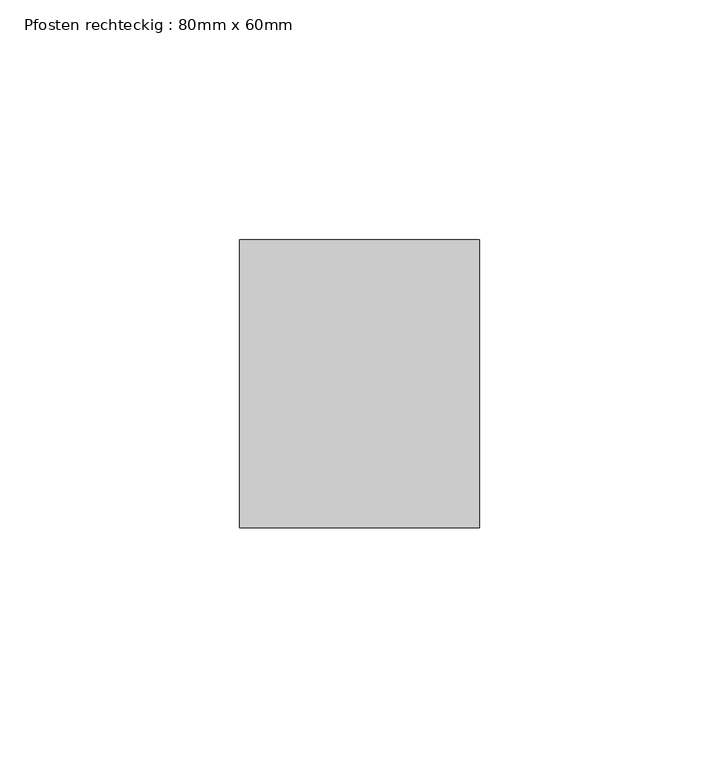
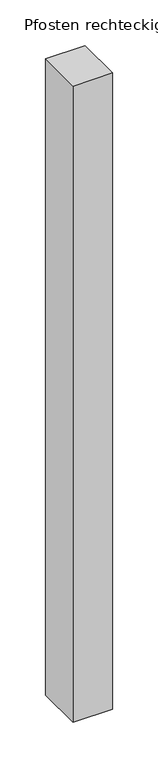
"""IFC4 building model written with IfcOpenShell, lengths in millimetres: member geometry, Pfosten rechteckig : 80mm x 60mm."""

from ifc_helpers import new_model, si_unit, frame, origin, place, context, project, spatial, polyline, outline, extrude, source, transform, mapped, element, save


def pfosten_rechteckig_80mm_x_60mm_248cabca(model_context):
    return source(origin(), model_context, "Body", "SweptSolid", [
        extrude(outline(polyline([(0.0, 30.0), (0.0, -30.0), (-50.0, -30.0), (-50.0, 30.0), (0.0, 30.0)])), frame((0.0, 0.0, -850.0), z_axis=(0.0, 0.0, 1.0), x_axis=(1.0, 0.0, 0.0)), (0.0, 0.0, 1.0), 850.0),
    ])


if __name__ == "__main__":
    model = new_model("IFC4")
    model_context = context("Model", 3, world=origin())
    ifc_project = project(units=[si_unit("LENGTHUNIT", "METRE", prefix="MILLI")], contexts=[model_context])
    site = spatial("IfcSite", under=ifc_project)
    building = spatial("IfcBuilding", under=site)
    placement = place(None, origin())
    pfosten_rechteckig_80mm_x_60mm_shape = pfosten_rechteckig_80mm_x_60mm_248cabca(model_context)
    element("IfcMember", 1, ObjectType="Pfosten rechteckig : 80mm x 60mm", at=placement, inside=building, context=model_context, shape_type="MappedRepresentation", body=[
        mapped(pfosten_rechteckig_80mm_x_60mm_shape, transform((0.0, 0.0, 0.0), x_axis=(1.0, 0.0, 0.0), y_axis=(0.0, 1.0, 0.0), z_axis=(0.0, 0.0, 1.0))),
    ])
    save(model, "model.ifc")
